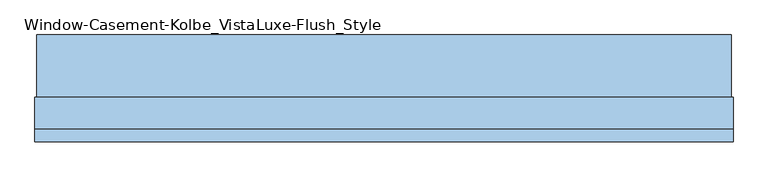
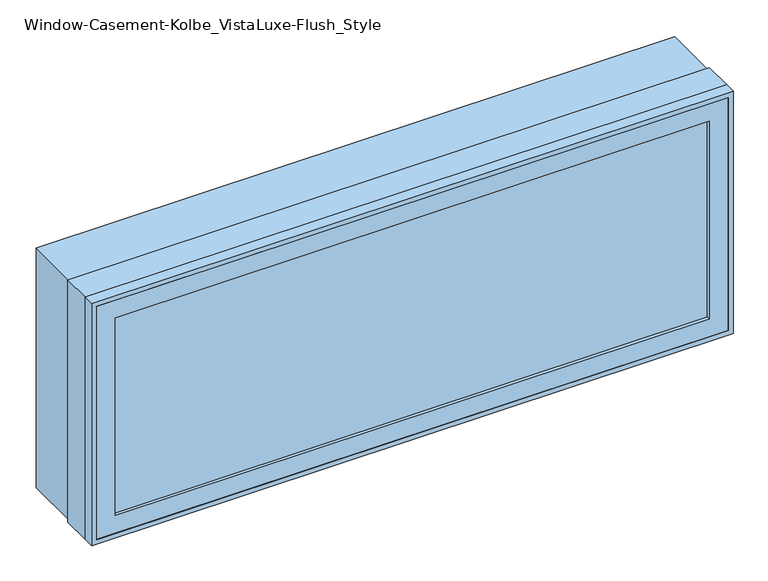
"""IFC4 building model written with IfcOpenShell, lengths in millimetres: window geometry, Window-Casement-Kolbe_VistaLuxe-Flush_Style."""

from ifc_helpers import new_model, si_unit, frame, origin, place, context, project, spatial, polyline, outline, extrude, faceted_brep, source, transform, mapped, element, save


def window_casement_kolbe_vistaluxe_flush_style_bbf35afc(model_context):
    return source(origin(), model_context, "Body", "SolidModel", [
        faceted_brep([(-711.2696599, -121.37898, 970.676875), (-711.2696599, -129.31648, 970.676875), (700.1765901, -129.31648, 970.676875), (700.1765901, -121.37898, 970.676875), (-727.1446599, -99.12858, 954.801875), (-727.1446599, -121.37898, 954.801875), (716.0515901, -121.37898, 954.801875), (716.0515901, -99.12858, 954.801875), (-711.2696599, -80.10398, 970.676875), (-711.2696599, -99.12858, 970.676875), (700.1765901, -99.12858, 970.676875), (700.1765901, -80.10398, 970.676875), (-755.7196599, -129.31648, 926.226875), (-755.7196599, -80.10398, 926.226875), (744.6265901, -80.10398, 926.226875), (744.6265901, -129.31648, 926.226875), (700.1765901, -129.31648, 1467.723125), (700.1765901, -121.37898, 1467.723125), (716.0515901, -121.37898, 1483.598125), (716.0515901, -99.12858, 1483.598125), (700.1765901, -99.12858, 1467.723125), (700.1765901, -80.10398, 1467.723125), (744.6265901, -80.10398, 1512.173125), (744.6265901, -129.31648, 1512.173125), (-711.2696599, -129.31648, 1467.723125), (-711.2696599, -121.37898, 1467.723125), (-727.1446599, -121.37898, 1483.598125), (-727.1446599, -99.12858, 1483.598125), (-711.2696599, -99.12858, 1467.723125), (-711.2696599, -80.10398, 1467.723125), (-755.7196599, -80.10398, 1512.173125), (-755.7196599, -129.31648, 1512.173125)], [[[0, 1, 2, 3]], [[4, 5, 6, 7]], [[8, 9, 10, 11]], [[12, 13, 14, 15]], [[3, 2, 16, 17]], [[7, 6, 18, 19]], [[11, 10, 20, 21]], [[15, 14, 22, 23]], [[17, 16, 24, 25]], [[19, 18, 26, 27]], [[21, 20, 28, 29]], [[23, 22, 30, 31]], [[25, 24, 1, 0]], [[5, 26, 18, 6], [3, 17, 25, 0]], [[27, 26, 5, 4]], [[7, 19, 27, 4], [9, 28, 20, 10]], [[29, 28, 9, 8]], [[13, 30, 22, 14], [11, 21, 29, 8]], [[31, 30, 13, 12]], [[15, 23, 31, 12], [1, 24, 16, 2]]]),
        extrude(outline(polyline([(1520.4186, 752.8720651), (1520.4186, -763.9651349), (917.9814, -763.9651349), (917.9814, 752.8720651), (1520.4186, 752.8720651)]), holes=[polyline([(936.545625, 734.3078401), (936.545625, -745.4009099), (1501.854375, -745.4009099), (1501.854375, 734.3078401), (936.545625, 734.3078401)])]), frame((0.0, -32.5247, 0.0), z_axis=(0.0, 1.0, 0.0), x_axis=(0.0, 0.0, 1.0)), (0.0, 0.0, 1.0), 135.7122),
        extrude(outline(polyline([(1524.0, -767.5465349), (914.4, -767.5465349), (914.4, 756.4534651), (1524.0, 756.4534651), (1524.0, -767.5465349)]), holes=[polyline([(1512.173125, 744.6265901), (926.226875, 744.6265901), (926.226875, -755.7196599), (1512.173125, -755.7196599), (1512.173125, 744.6265901)])]), frame((0.0, -130.1115, 0.0), z_axis=(0.0, 1.0, 0.0), x_axis=(0.0, 0.0, 1.0)), (0.0, 0.0, 1.0), 26.924),
        faceted_brep([(756.4534651, -32.5247, 914.4), (756.4534651, -103.1875, 914.4), (-767.5465349, -103.1875, 914.4), (-767.5465349, -32.5247, 914.4), (734.3078401, -80.10525, 936.545625), (734.3078401, -32.5247, 936.545625), (-745.4009099, -32.5247, 936.545625), (-745.4009099, -80.10525, 936.545625), (744.6265901, -103.1875, 926.226875), (744.6265901, -80.10525, 926.226875), (-755.7196599, -80.10525, 926.226875), (-755.7196599, -103.1875, 926.226875), (-767.5465349, -103.1875, 1524.0), (-767.5465349, -32.5247, 1524.0), (-745.4009099, -32.5247, 1501.854375), (-745.4009099, -80.10525, 1501.854375), (-755.7196599, -80.10525, 1512.173125), (-755.7196599, -103.1875, 1512.173125), (756.4534651, -103.1875, 1524.0), (756.4534651, -32.5247, 1524.0), (734.3078401, -32.5247, 1501.854375), (734.3078401, -80.10525, 1501.854375), (744.6265901, -80.10525, 1512.173125), (744.6265901, -103.1875, 1512.173125)], [[[0, 1, 2, 3]], [[4, 5, 6, 7]], [[8, 9, 10, 11]], [[3, 2, 12, 13]], [[7, 6, 14, 15]], [[11, 10, 16, 17]], [[13, 12, 18, 19]], [[15, 14, 20, 21]], [[17, 16, 22, 23]], [[19, 18, 1, 0]], [[3, 13, 19, 0], [5, 20, 14, 6]], [[21, 20, 5, 4]], [[9, 22, 16, 10], [7, 15, 21, 4]], [[23, 22, 9, 8]], [[1, 18, 12, 2], [11, 17, 23, 8]]]),
        extrude(outline(polyline([(712.8765901, -102.30358), (-723.9696599, -102.30358), (-723.9696599, -99.12858), (712.8765901, -99.12858), (712.8765901, -102.30358)])), frame((0.0, 0.0, 957.976875), z_axis=(0.0, 0.0, 1.0), x_axis=(1.0, 0.0, 0.0)), (0.0, 0.0, 1.0), 522.44625),
        extrude(outline(polyline([(712.8765901, -118.20398), (712.8765901, -121.37898), (-723.9696599, -121.37898), (-723.9696599, -118.20398), (712.8765901, -118.20398)])), frame((0.0, 0.0, 957.976875), z_axis=(0.0, 0.0, 1.0), x_axis=(1.0, 0.0, 0.0)), (0.0, 0.0, 1.0), 522.44625),
        extrude(outline(polyline([(936.545625, 734.3078401), (1501.854375, 734.3078401), (1501.854375, -745.4009099), (936.545625, -745.4009099), (936.545625, 734.3078401)]), holes=[polyline([(954.801875, -727.1446599), (1483.598125, -727.1446599), (1483.598125, 716.0515901), (954.801875, 716.0515901), (954.801875, -727.1446599)])]), frame((0.0, -80.10525, 0.0), z_axis=(0.0, 1.0, 0.0), x_axis=(0.0, 0.0, 1.0)), (0.0, 0.0, 1.0), 50.8),
    ])


if __name__ == "__main__":
    model = new_model("IFC4")
    model_context = context("Model", 3, world=origin())
    ifc_project = project(units=[si_unit("LENGTHUNIT", "METRE", prefix="MILLI")], contexts=[model_context])
    site = spatial("IfcSite", under=ifc_project)
    building = spatial("IfcBuilding", under=site)
    placement = place(None, origin())
    window_casement_kolbe_vistaluxe_flush_style_shape = window_casement_kolbe_vistaluxe_flush_style_bbf35afc(model_context)
    element("IfcWindow", 1, ObjectType="Window-Casement-Kolbe_VistaLuxe-Flush_Style", at=placement, inside=building, context=model_context, shape_type="MappedRepresentation", body=[
        mapped(window_casement_kolbe_vistaluxe_flush_style_shape, transform((0.0, 0.0, 0.0), x_axis=(1.0, 0.0, 0.0), y_axis=(0.0, 1.0, 0.0), z_axis=(0.0, 0.0, 1.0))),
    ])
    save(model, "model.ifc")
